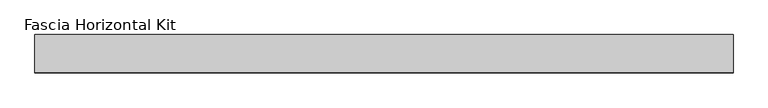
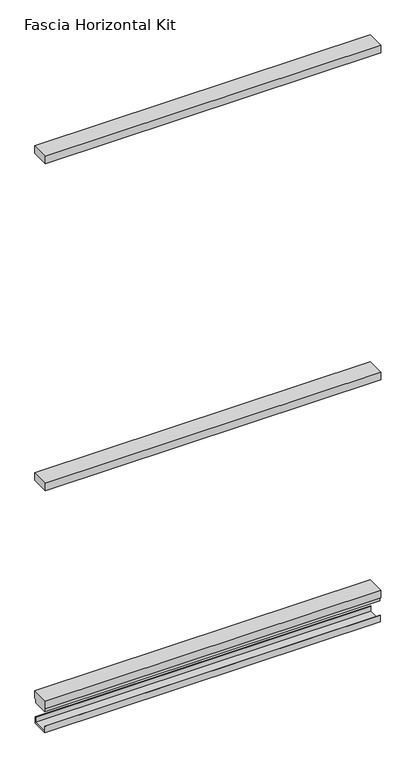
"""IFC4 building model written with IfcOpenShell, lengths in millimetres: proxy geometry, Fascia Horizontal Kit."""

from ifc_helpers import new_model, si_unit, frame, origin, place, context, project, spatial, polyline, outline, extrude, source, transform, mapped, element, save


def fascia_horizontal_kit_030d08e9(model_context):
    return source(origin(), model_context, "Body", "SweptSolid", [
        extrude(outline(polyline([(-691.9808602, -34.0688663), (491.296138, -34.0688663), (491.296138, -98.4324663), (-691.9808602, -98.4324663), (-691.9808602, -34.0688663)])), frame((0.0, 0.0, 903.829), z_axis=(0.0, 0.0, 1.0), x_axis=(1.0, 0.0, 0.0)), (0.0, 0.0, 1.0), 28.0),
        extrude(outline(polyline([(-691.9808602, -34.0688663), (491.296138, -34.0688663), (491.296138, -98.4324663), (-691.9808602, -98.4324663), (-691.9808602, -34.0688663)])), frame((0.0, 0.0, 2124.295979), z_axis=(0.0, 0.0, 1.0), x_axis=(1.0, 0.0, 0.0)), (0.0, 0.0, 1.0), 28.0),
        extrude(outline(polyline([(-94.0992263, 4.58724), (-38.4021063, 4.58724), (-38.4021063, 23.2156), (-37.2438663, 23.2156), (-37.2438663, 0.0), (-95.2574663, 0.0), (-95.2574663, 23.2156), (-94.0992263, 23.2156), (-94.0992263, 4.58724)])), frame((-691.9808602, 0.0, 0.0), z_axis=(1.0, 0.0, 0.0), x_axis=(0.0, 1.0, 0.0)), (0.0, 0.0, 1.0), 1183.2769982),
        extrude(outline(polyline([(-98.4324663, 119.029), (-34.0688663, 119.029), (-34.0688663, 91.029), (-38.9546663, 91.029), (-38.9546663, 77.0336001), (-93.5466663, 77.0336001), (-93.5466663, 91.029), (-98.4324663, 91.029), (-98.4324663, 119.029)])), frame((-691.9808602, 0.0, 0.0), z_axis=(1.0, 0.0, 0.0), x_axis=(0.0, 1.0, 0.0)), (0.0, 0.0, 1.0), 1183.2769982),
    ])


if __name__ == "__main__":
    model = new_model("IFC4")
    model_context = context("Model", 3, world=origin())
    ifc_project = project(units=[si_unit("LENGTHUNIT", "METRE", prefix="MILLI")], contexts=[model_context])
    site = spatial("IfcSite", under=ifc_project)
    building = spatial("IfcBuilding", under=site)
    placement = place(None, origin())
    fascia_horizontal_kit_shape = fascia_horizontal_kit_030d08e9(model_context)
    element("IfcBuildingElementProxy", 1, Name="Fascia Horizontal Kit", ObjectType="Fascia Horizontal Kit", at=placement, inside=building, context=model_context, shape_type="MappedRepresentation", body=[
        mapped(fascia_horizontal_kit_shape, transform((0.0, 0.0, 0.0), x_axis=(1.0, 0.0, 0.0), y_axis=(0.0, 1.0, 0.0), z_axis=(0.0, 0.0, 1.0))),
    ])
    save(model, "model.ifc")
